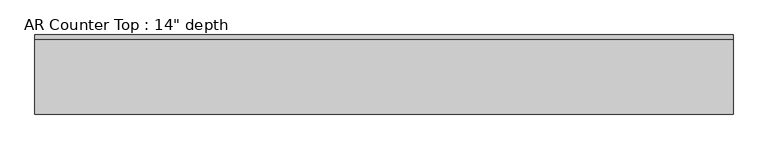
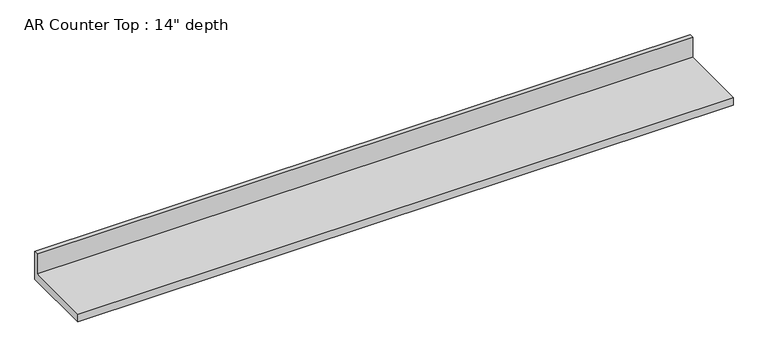
"""IFC4 building model written with IfcOpenShell, lengths in millimetres: furniture geometry."""

from ifc_helpers import new_model, si_unit, frame, origin, place, context, project, spatial, polyline, outline, extrude, source, transform, mapped, element, save


def furniture_e88fbdbe(model_context):
    return source(origin(), model_context, "Body", "SweptSolid", [
        extrude(outline(polyline([(0.0, 1016.0), (0.0, 876.3), (-355.6, 876.3), (-355.6, 914.4), (-19.05, 914.4), (-19.05, 1016.0), (0.0, 1016.0)])), frame((-1200.4622951, 0.0, 0.0), z_axis=(1.0, 0.0, 0.0), x_axis=(0.0, 1.0, 0.0)), (0.0, 0.0, 1.0), 3136.9),
    ])


if __name__ == "__main__":
    model = new_model("IFC4")
    model_context = context("Model", 3, world=origin())
    ifc_project = project(units=[si_unit("LENGTHUNIT", "METRE", prefix="MILLI")], contexts=[model_context])
    site = spatial("IfcSite", under=ifc_project)
    building = spatial("IfcBuilding", under=site)
    placement = place(None, origin())
    furniture_shape = furniture_e88fbdbe(model_context)
    element("IfcFurniture", 1, ObjectType="AR Counter Top : 14\" depth", at=placement, inside=building, context=model_context, shape_type="MappedRepresentation", body=[
        mapped(furniture_shape, transform((0.0, 0.0, 0.0), x_axis=(1.0, 0.0, 0.0), y_axis=(0.0, 1.0, 0.0), z_axis=(0.0, 0.0, 1.0))),
    ])
    save(model, "model.ifc")
